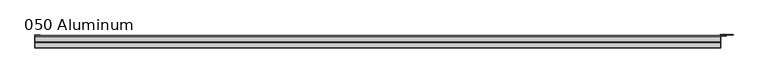
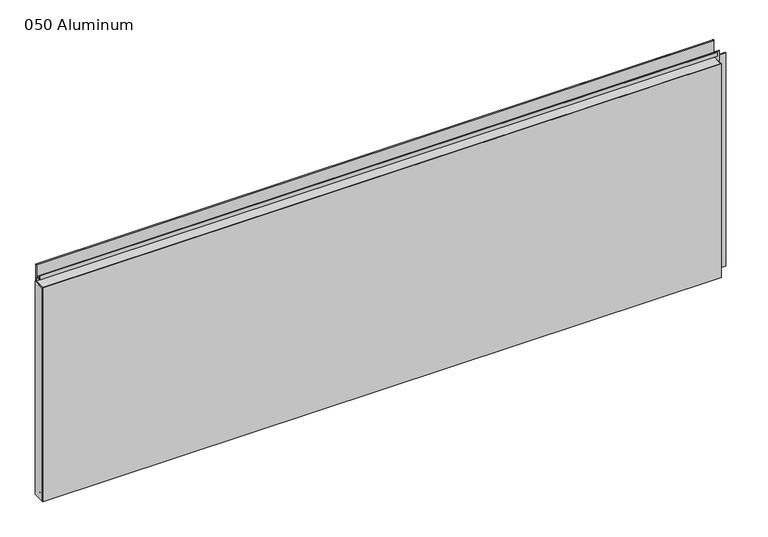
"""IFC4 building model written with IfcOpenShell, lengths in millimetres: plate geometry, 050 Aluminum."""

import ifcopenshell
import ifcopenshell.guid

model = None  # the IFC model being written
_history = None  # IfcOwnerHistory: only IFC2X3 demands one
_inside = {}  # id of a spatial element -> (the spatial element, [elements in it])
_under = {}  # id of a project, library or spatial element -> (it, [spatial elements below it])
_declared = {}  # id of a project -> (the project, [libraries it declares])
_typed = {}  # id of a type object -> (the type object, [elements of that type])
_made_of = {}  # id of a material, layer set ... -> (it, [elements and type objects made of it])


def new_model(schema):
    """Start an empty IFC model of exactly this schema.

    Asked for "IFC4X3", IfcOpenShell would pick the latest addendum, in which some entities
    have other attributes; the version numbers below select the first issue.
    IFC2X3 requires an IfcOwnerHistory on every rooted entity: one is made here for all.
    """
    global model, _history
    if schema == "IFC4X3":
        model = ifcopenshell.file(schema_version=(4, 3, 0, 0))
    else:
        model = ifcopenshell.file(schema=schema)
    _inside.clear()
    _under.clear()
    _declared.clear()
    _typed.clear()
    _made_of.clear()
    _history = None
    if model.schema == "IFC2X3":
        org = make("IfcOrganization", Name="unknown")
        user = make(
            "IfcPersonAndOrganization",
            ThePerson=make("IfcPerson", FamilyName="unknown"),
            TheOrganization=org,
        )
        app = make(
            "IfcApplication",
            ApplicationDeveloper=org,
            Version="unknown",
            ApplicationFullName="unknown",
            ApplicationIdentifier="unknown",
        )
        _history = make(
            "IfcOwnerHistory",
            OwningUser=user,
            OwningApplication=app,
            ChangeAction="ADDED",
            CreationDate=0,
        )
    return model


def make(cls, **values):
    """One entity of the class cls with the attributes given. An attribute that is None is left unset."""
    return model.create_entity(
        cls, **{name: value for name, value in values.items() if value is not None}
    )


def rooted(cls, **values):
    """An entity with a GlobalId (a new one), such as an element, a storey or a relation."""
    return make(cls, GlobalId=ifcopenshell.guid.new(), OwnerHistory=_history, **values)


def si_unit(unit_type, name, prefix=None):
    """IfcSIUnit, for example si_unit("LENGTHUNIT", "METRE", prefix="MILLI")."""
    return make("IfcSIUnit", UnitType=unit_type, Prefix=prefix, Name=name)


def assignment(units):
    """IfcUnitAssignment: the units of a project."""
    return None if units is None else make("IfcUnitAssignment", Units=units)


def point(xyz):
    """IfcCartesianPoint."""
    return None if xyz is None else make("IfcCartesianPoint", Coordinates=xyz)


def direction(xyz):
    """IfcDirection."""
    return None if xyz is None else make("IfcDirection", DirectionRatios=xyz)


def frame(location, z_axis=None, x_axis=None):
    """IfcAxis2Placement3D, a coordinate frame: its origin and axes. An axis left out is left unset."""
    return make(
        "IfcAxis2Placement3D",
        Location=point(location),
        Axis=direction(z_axis),
        RefDirection=direction(x_axis),
    )


def frame_2d(location, x_axis=None):
    """IfcAxis2Placement2D, a coordinate frame in the plane: its origin and x axis."""
    return make(
        "IfcAxis2Placement2D", Location=point(location), RefDirection=direction(x_axis)
    )


def origin():
    """The frame at (0, 0, 0) with its axes left unset."""
    return frame((0.0, 0.0, 0.0))


def origin_with_axes():
    """The frame at (0, 0, 0) with the z axis (0, 0, 1) and the x axis (1, 0, 0) written out."""
    return frame((0.0, 0.0, 0.0), z_axis=(0.0, 0.0, 1.0), x_axis=(1.0, 0.0, 0.0))


def place(relative_to, where):
    """IfcLocalPlacement: puts the frame where relative to a parent placement (None: the world)."""
    return make(
        "IfcLocalPlacement", PlacementRelTo=relative_to, RelativePlacement=where
    )


def context(
    kind, dimensions, precision=None, world=None, true_north=None, identifier=None
):
    """IfcGeometricRepresentationContext, for example the 3D "Model" context."""
    return make(
        "IfcGeometricRepresentationContext",
        ContextIdentifier=identifier,
        ContextType=kind,
        CoordinateSpaceDimension=dimensions,
        Precision=precision,
        WorldCoordinateSystem=world,
        TrueNorth=true_north,
    )


def project(units=None, contexts=None):
    """IfcProject with its units and contexts."""
    return rooted(
        "IfcProject",
        Name="project",
        RepresentationContexts=contexts,
        UnitsInContext=assignment(units),
    )


def spatial(cls, under=None, at=None, **own):
    """A site, building, storey or space (cls), placed at a placement, below another one or the project."""
    s = rooted(cls, ObjectPlacement=at, **own)
    if under is not None:
        _under.setdefault(under.id(), (under, []))[1].append(s)
    return s


def polyline(points):
    """IfcPolyline through the points."""
    return make("IfcPolyline", Points=[point(p) for p in points])


def circle_curve(where, radius):
    """IfcCircle in the frame where."""
    return make("IfcCircle", Position=where, Radius=radius)


def trimmed(basis, trim1, trim2, sense, master):
    """IfcTrimmedCurve: the piece of a basis curve between two trims."""
    return make(
        "IfcTrimmedCurve",
        BasisCurve=basis,
        Trim1=trim1,
        Trim2=trim2,
        SenseAgreement=sense,
        MasterRepresentation=master,
    )


def segment(curve, same_sense, transition):
    """IfcCompositeCurveSegment."""
    return make(
        "IfcCompositeCurveSegment",
        Transition=transition,
        SameSense=same_sense,
        ParentCurve=curve,
    )


def composite_curve(segments, self_intersect=None):
    """IfcCompositeCurve: segments joined end to end."""
    return make("IfcCompositeCurve", Segments=segments, SelfIntersect=self_intersect)


def outline(outer, holes=None, kind="AREA"):
    """IfcArbitraryClosedProfileDef: a profile drawn as a closed curve; with holes, ...WithVoids."""
    if holes is None:
        return make("IfcArbitraryClosedProfileDef", ProfileType=kind, OuterCurve=outer)
    return make(
        "IfcArbitraryProfileDefWithVoids",
        ProfileType=kind,
        OuterCurve=outer,
        InnerCurves=holes,
    )


def extrude(swept, where, along, depth):
    """IfcExtrudedAreaSolid: the profile swept, set in the frame where, extruded along a direction by depth."""
    return make(
        "IfcExtrudedAreaSolid",
        SweptArea=swept,
        Position=where,
        ExtrudedDirection=direction(along),
        Depth=depth,
    )


def shape(context_of_items, identifier, shape_type, items):
    """IfcShapeRepresentation: the items that make up one representation, for example the "Body"."""
    return make(
        "IfcShapeRepresentation",
        ContextOfItems=context_of_items,
        RepresentationIdentifier=identifier,
        RepresentationType=shape_type,
        Items=items,
    )


def source(mapping_origin, context_of_items, identifier, shape_type, items):
    """IfcRepresentationMap: a shape defined once, which mapped items show again and again."""
    return make(
        "IfcRepresentationMap",
        MappingOrigin=mapping_origin,
        MappedRepresentation=shape(context_of_items, identifier, shape_type, items),
    )


def transform(
    local_origin,
    x_axis=None,
    y_axis=None,
    z_axis=None,
    scale=None,
    scale2=None,
    scale3=None,
    uniform=True,
):
    """IfcCartesianTransformationOperator3D, or its non-uniform kind. x_axis, y_axis, z_axis: its Axis1, 2, 3."""
    if uniform:
        return make(
            "IfcCartesianTransformationOperator3D",
            Axis1=direction(x_axis),
            Axis2=direction(y_axis),
            LocalOrigin=point(local_origin),
            Scale=scale,
            Axis3=direction(z_axis),
        )
    return make(
        "IfcCartesianTransformationOperator3DnonUniform",
        Axis1=direction(x_axis),
        Axis2=direction(y_axis),
        LocalOrigin=point(local_origin),
        Scale=scale,
        Axis3=direction(z_axis),
        Scale2=scale2,
        Scale3=scale3,
    )


def mapped(mapping_source, mapping_target):
    """IfcMappedItem: shows the shape of a source again, moved by a transform."""
    return make(
        "IfcMappedItem", MappingSource=mapping_source, MappingTarget=mapping_target
    )


def made_of(thing, what):
    """Note that an element or type object is made of a material, layer set ...; save() writes the relation."""
    if what is not None:
        _made_of.setdefault(what.id(), (what, []))[1].append(thing)
    return thing


def element(
    cls,
    number,
    at=None,
    inside=None,
    cuts=None,
    type_object=None,
    material=None,
    context=None,
    identifier="Body",
    shape_type=None,
    held_by="IfcProductDefinitionShape",
    body=None,
    shapes=None,
    **own,
):
    """One element of the class cls, such as IfcWall. Its Tag is "e" and its number.

    at: its placement. inside: the storey or other place that contains it. cuts: it is an
    opening in that element (IfcRelVoidsElement). A single representation is given by context,
    identifier, shape_type and body (its items); several are given by shapes. held_by: the class
    of the entity that holds the representations. save() writes the other relations.
    """
    e = rooted(cls, Tag="e%d" % number, ObjectPlacement=at, **own)
    if body is not None:
        shapes = [shape(context, identifier, shape_type, body)]
    if shapes is not None:
        e.Representation = make(held_by, Representations=shapes)
    if inside is not None:
        _inside.setdefault(inside.id(), (inside, []))[1].append(e)
    if cuts is not None:
        rooted(
            "IfcRelVoidsElement", RelatingBuildingElement=cuts, RelatedOpeningElement=e
        )
    if type_object is not None:
        _typed.setdefault(type_object.id(), (type_object, []))[1].append(e)
    return made_of(e, material)


def aggregate(whole, parts):
    """IfcRelAggregates: a whole, such as a stair, and the parts it consists of."""
    return rooted("IfcRelAggregates", RelatingObject=whole, RelatedObjects=parts)


def save(model, path):
    """Write the relations noted so far, then the file.

    IfcRelAggregates (storeys below a building ...), IfcRelContainedInSpatialStructure (elements
    in a storey), IfcRelDefinesByType, IfcRelAssociatesMaterial and IfcRelDeclares: one each for
    every whole, place, type object, material and project.
    """
    for whole, parts in _under.values():
        aggregate(whole, parts)
    for where, things in _inside.values():
        rooted(
            "IfcRelContainedInSpatialStructure",
            RelatedElements=things,
            RelatingStructure=where,
        )
    for kind, things in _typed.values():
        rooted("IfcRelDefinesByType", RelatedObjects=things, RelatingType=kind)
    for what, things in _made_of.values():
        rooted("IfcRelAssociatesMaterial", RelatedObjects=things, RelatingMaterial=what)
    for by, libraries in _declared.values():
        rooted("IfcRelDeclares", RelatingContext=by, RelatedDefinitions=libraries)
    model.write(path)


def plate_050_aluminum_3ba4a5e3(model_context):
    return source(origin(), model_context, "Body", "SweptSolid", [
        extrude(outline(polyline([(-919.4800002, -2.5660257), (-919.4800002, -34.7980001), (-920.7500001, -34.7980001), (-920.7500001, -1.2699999), (-906.5894996, -1.2699999), (-906.5894996, -2.5660257), (-919.4800002, -2.5660257)])), origin_with_axes(), (0.0, 0.0, 1.0), 608.33),
        extrude(outline(composite_curve([segment(polyline([(-16.6765477, 13.1458337), (-16.6765477, 2.786437), (-17.9464915, 2.786437), (-17.9464915, 13.1323356)]), True, "CONTINUOUS"), segment(trimmed(circle_curve(frame_2d((-19.8514743, 13.124237)), 1.905), [point((-17.9464915, 13.1323356))], [point((-21.7564743, 13.124237))], True, "CARTESIAN"), True, "CONTINUOUS"), segment(polyline([(-21.7564743, 13.124237), (-21.7564743, 0.0), (-34.7980002, 0.0), (-34.7980002, 1.2693678), (-23.0264743, 1.2693678), (-23.0264743, 13.124237)]), True, "CONTINUOUS"), segment(trimmed(circle_curve(frame_2d((-19.8514743, 13.124237)), 3.175), [point((-23.0264743, 13.124237))], [point((-16.6765477, 13.1458337))], False, "CARTESIAN"), True, "CONTINUOUS")], self_intersect=False)), frame((-919.4800002, 0.0, 0.0), z_axis=(1.0, 0.0, 0.0), x_axis=(0.0, 1.0, 0.0)), (0.0, 0.0, 1.0), 1826.2600003),
        extrude(outline(composite_curve([segment(polyline([(-2.0574743, 656.7932001), (-2.0574743, 608.33), (-34.7980002, 608.33), (-34.7980002, 609.6000001), (-3.3274743, 609.6000001), (-3.3274743, 656.7932001)]), True, "CONTINUOUS"), segment(trimmed(circle_curve(frame_2d((-3.7084742, 656.7932001)), 0.3809999), [point((-3.3274743, 656.7932001))], [point((-4.0894742, 656.7932001))], True, "CARTESIAN"), True, "CONTINUOUS"), segment(polyline([(-4.0894742, 656.7932001), (-4.0894742, 622.3), (-20.4864742, 622.3), (-20.4864742, 633.6538), (-19.2164743, 633.6538), (-19.2164743, 623.57), (-5.3594742, 623.57), (-5.3594742, 656.7932001)]), True, "CONTINUOUS"), segment(trimmed(circle_curve(frame_2d((-3.7084742, 656.7932001)), 1.6509999), [point((-5.3594742, 656.7932001))], [point((-2.0574743, 656.7932001))], False, "CARTESIAN"), True, "CONTINUOUS")], self_intersect=False)), frame((-919.4800002, 0.0, 0.0), z_axis=(1.0, 0.0, 0.0), x_axis=(0.0, 1.0, 0.0)), (0.0, 0.0, 1.0), 1826.2600003),
        extrude(outline(polyline([(-920.7500002, -36.068), (-920.7500002, -34.7980001), (908.0500002, -34.7980001), (908.0500002, -36.068), (-920.7500002, -36.068)])), origin_with_axes(), (0.0, 0.0, 1.0), 609.6),
        extrude(outline(polyline([(908.0500002, -1.2699999), (908.0500002, -34.7980002), (906.7800002, -34.7980002), (906.7800002, 0.0), (940.5620858, 0.0), (940.5620858, -1.2699999), (908.0500002, -1.2699999)])), origin_with_axes(), (0.0, 0.0, 1.0), 608.33),
        extrude(outline(polyline([(906.7800002, -3.3274743), (906.7800002, -2.0574743), (922.5280001, -2.0574743), (922.5280001, -3.3274743), (906.7800002, -3.3274743)])), origin_with_axes(), (0.0, 0.0, 1.0), 622.3),
    ])


if __name__ == "__main__":
    model = new_model("IFC4")
    model_context = context("Model", 3, world=origin())
    ifc_project = project(units=[si_unit("LENGTHUNIT", "METRE", prefix="MILLI")], contexts=[model_context])
    site = spatial("IfcSite", under=ifc_project)
    building = spatial("IfcBuilding", under=site)
    placement = place(None, origin())
    plate_050_aluminum_shape = plate_050_aluminum_3ba4a5e3(model_context)
    element("IfcPlate", 1, ObjectType="050 Aluminum", at=placement, inside=building, context=model_context, shape_type="MappedRepresentation", body=[
        mapped(plate_050_aluminum_shape, transform((0.0, 0.0, 0.0), x_axis=(1.0, 0.0, 0.0), y_axis=(0.0, 1.0, 0.0), z_axis=(0.0, 0.0, 1.0))),
    ])
    save(model, "model.ifc")
